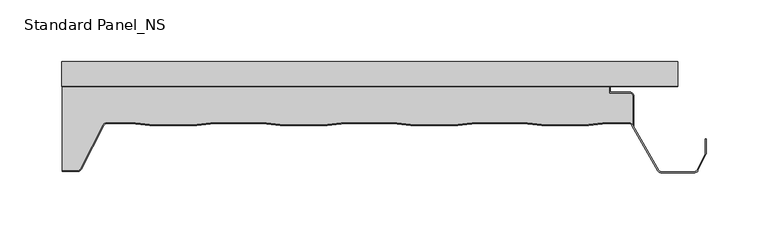
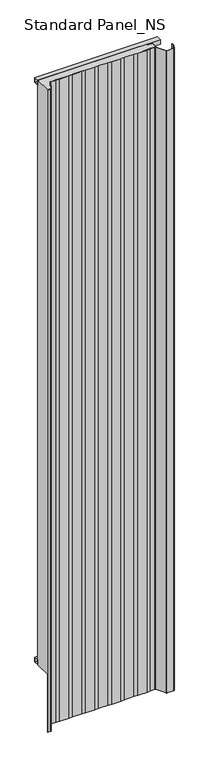
"""IFC4 building model written with IfcOpenShell, lengths in millimetres: proxy geometry, Standard Panel_NS."""

import ifcopenshell
import ifcopenshell.guid

model = None  # the IFC model being written
_history = None  # IfcOwnerHistory: only IFC2X3 demands one
_inside = {}  # id of a spatial element -> (the spatial element, [elements in it])
_under = {}  # id of a project, library or spatial element -> (it, [spatial elements below it])
_declared = {}  # id of a project -> (the project, [libraries it declares])
_typed = {}  # id of a type object -> (the type object, [elements of that type])
_made_of = {}  # id of a material, layer set ... -> (it, [elements and type objects made of it])


def new_model(schema):
    """Start an empty IFC model of exactly this schema.

    Asked for "IFC4X3", IfcOpenShell would pick the latest addendum, in which some entities
    have other attributes; the version numbers below select the first issue.
    IFC2X3 requires an IfcOwnerHistory on every rooted entity: one is made here for all.
    """
    global model, _history
    if schema == "IFC4X3":
        model = ifcopenshell.file(schema_version=(4, 3, 0, 0))
    else:
        model = ifcopenshell.file(schema=schema)
    _inside.clear()
    _under.clear()
    _declared.clear()
    _typed.clear()
    _made_of.clear()
    _history = None
    if model.schema == "IFC2X3":
        org = make("IfcOrganization", Name="unknown")
        user = make(
            "IfcPersonAndOrganization",
            ThePerson=make("IfcPerson", FamilyName="unknown"),
            TheOrganization=org,
        )
        app = make(
            "IfcApplication",
            ApplicationDeveloper=org,
            Version="unknown",
            ApplicationFullName="unknown",
            ApplicationIdentifier="unknown",
        )
        _history = make(
            "IfcOwnerHistory",
            OwningUser=user,
            OwningApplication=app,
            ChangeAction="ADDED",
            CreationDate=0,
        )
    return model


def make(cls, **values):
    """One entity of the class cls with the attributes given. An attribute that is None is left unset."""
    return model.create_entity(
        cls, **{name: value for name, value in values.items() if value is not None}
    )


def rooted(cls, **values):
    """An entity with a GlobalId (a new one), such as an element, a storey or a relation."""
    return make(cls, GlobalId=ifcopenshell.guid.new(), OwnerHistory=_history, **values)


def si_unit(unit_type, name, prefix=None):
    """IfcSIUnit, for example si_unit("LENGTHUNIT", "METRE", prefix="MILLI")."""
    return make("IfcSIUnit", UnitType=unit_type, Prefix=prefix, Name=name)


def assignment(units):
    """IfcUnitAssignment: the units of a project."""
    return None if units is None else make("IfcUnitAssignment", Units=units)


def point(xyz):
    """IfcCartesianPoint."""
    return None if xyz is None else make("IfcCartesianPoint", Coordinates=xyz)


def direction(xyz):
    """IfcDirection."""
    return None if xyz is None else make("IfcDirection", DirectionRatios=xyz)


def frame(location, z_axis=None, x_axis=None):
    """IfcAxis2Placement3D, a coordinate frame: its origin and axes. An axis left out is left unset."""
    return make(
        "IfcAxis2Placement3D",
        Location=point(location),
        Axis=direction(z_axis),
        RefDirection=direction(x_axis),
    )


def frame_2d(location, x_axis=None):
    """IfcAxis2Placement2D, a coordinate frame in the plane: its origin and x axis."""
    return make(
        "IfcAxis2Placement2D", Location=point(location), RefDirection=direction(x_axis)
    )


def origin():
    """The frame at (0, 0, 0) with its axes left unset."""
    return frame((0.0, 0.0, 0.0))


def origin_with_axes():
    """The frame at (0, 0, 0) with the z axis (0, 0, 1) and the x axis (1, 0, 0) written out."""
    return frame((0.0, 0.0, 0.0), z_axis=(0.0, 0.0, 1.0), x_axis=(1.0, 0.0, 0.0))


def place(relative_to, where):
    """IfcLocalPlacement: puts the frame where relative to a parent placement (None: the world)."""
    return make(
        "IfcLocalPlacement", PlacementRelTo=relative_to, RelativePlacement=where
    )


def context(
    kind, dimensions, precision=None, world=None, true_north=None, identifier=None
):
    """IfcGeometricRepresentationContext, for example the 3D "Model" context."""
    return make(
        "IfcGeometricRepresentationContext",
        ContextIdentifier=identifier,
        ContextType=kind,
        CoordinateSpaceDimension=dimensions,
        Precision=precision,
        WorldCoordinateSystem=world,
        TrueNorth=true_north,
    )


def project(units=None, contexts=None):
    """IfcProject with its units and contexts."""
    return rooted(
        "IfcProject",
        Name="project",
        RepresentationContexts=contexts,
        UnitsInContext=assignment(units),
    )


def spatial(cls, under=None, at=None, **own):
    """A site, building, storey or space (cls), placed at a placement, below another one or the project."""
    s = rooted(cls, ObjectPlacement=at, **own)
    if under is not None:
        _under.setdefault(under.id(), (under, []))[1].append(s)
    return s


def polyline(points):
    """IfcPolyline through the points."""
    return make("IfcPolyline", Points=[point(p) for p in points])


def circle_curve(where, radius):
    """IfcCircle in the frame where."""
    return make("IfcCircle", Position=where, Radius=radius)


def trimmed(basis, trim1, trim2, sense, master):
    """IfcTrimmedCurve: the piece of a basis curve between two trims."""
    return make(
        "IfcTrimmedCurve",
        BasisCurve=basis,
        Trim1=trim1,
        Trim2=trim2,
        SenseAgreement=sense,
        MasterRepresentation=master,
    )


def segment(curve, same_sense, transition):
    """IfcCompositeCurveSegment."""
    return make(
        "IfcCompositeCurveSegment",
        Transition=transition,
        SameSense=same_sense,
        ParentCurve=curve,
    )


def composite_curve(segments, self_intersect=None):
    """IfcCompositeCurve: segments joined end to end."""
    return make("IfcCompositeCurve", Segments=segments, SelfIntersect=self_intersect)


def outline(outer, holes=None, kind="AREA"):
    """IfcArbitraryClosedProfileDef: a profile drawn as a closed curve; with holes, ...WithVoids."""
    if holes is None:
        return make("IfcArbitraryClosedProfileDef", ProfileType=kind, OuterCurve=outer)
    return make(
        "IfcArbitraryProfileDefWithVoids",
        ProfileType=kind,
        OuterCurve=outer,
        InnerCurves=holes,
    )


def extrude(swept, where, along, depth):
    """IfcExtrudedAreaSolid: the profile swept, set in the frame where, extruded along a direction by depth."""
    return make(
        "IfcExtrudedAreaSolid",
        SweptArea=swept,
        Position=where,
        ExtrudedDirection=direction(along),
        Depth=depth,
    )


def shape(context_of_items, identifier, shape_type, items):
    """IfcShapeRepresentation: the items that make up one representation, for example the "Body"."""
    return make(
        "IfcShapeRepresentation",
        ContextOfItems=context_of_items,
        RepresentationIdentifier=identifier,
        RepresentationType=shape_type,
        Items=items,
    )


def source(mapping_origin, context_of_items, identifier, shape_type, items):
    """IfcRepresentationMap: a shape defined once, which mapped items show again and again."""
    return make(
        "IfcRepresentationMap",
        MappingOrigin=mapping_origin,
        MappedRepresentation=shape(context_of_items, identifier, shape_type, items),
    )


def transform(
    local_origin,
    x_axis=None,
    y_axis=None,
    z_axis=None,
    scale=None,
    scale2=None,
    scale3=None,
    uniform=True,
):
    """IfcCartesianTransformationOperator3D, or its non-uniform kind. x_axis, y_axis, z_axis: its Axis1, 2, 3."""
    if uniform:
        return make(
            "IfcCartesianTransformationOperator3D",
            Axis1=direction(x_axis),
            Axis2=direction(y_axis),
            LocalOrigin=point(local_origin),
            Scale=scale,
            Axis3=direction(z_axis),
        )
    return make(
        "IfcCartesianTransformationOperator3DnonUniform",
        Axis1=direction(x_axis),
        Axis2=direction(y_axis),
        LocalOrigin=point(local_origin),
        Scale=scale,
        Axis3=direction(z_axis),
        Scale2=scale2,
        Scale3=scale3,
    )


def mapped(mapping_source, mapping_target):
    """IfcMappedItem: shows the shape of a source again, moved by a transform."""
    return make(
        "IfcMappedItem", MappingSource=mapping_source, MappingTarget=mapping_target
    )


def made_of(thing, what):
    """Note that an element or type object is made of a material, layer set ...; save() writes the relation."""
    if what is not None:
        _made_of.setdefault(what.id(), (what, []))[1].append(thing)
    return thing


def element(
    cls,
    number,
    at=None,
    inside=None,
    cuts=None,
    type_object=None,
    material=None,
    context=None,
    identifier="Body",
    shape_type=None,
    held_by="IfcProductDefinitionShape",
    body=None,
    shapes=None,
    **own,
):
    """One element of the class cls, such as IfcWall. Its Tag is "e" and its number.

    at: its placement. inside: the storey or other place that contains it. cuts: it is an
    opening in that element (IfcRelVoidsElement). A single representation is given by context,
    identifier, shape_type and body (its items); several are given by shapes. held_by: the class
    of the entity that holds the representations. save() writes the other relations.
    """
    e = rooted(cls, Tag="e%d" % number, ObjectPlacement=at, **own)
    if body is not None:
        shapes = [shape(context, identifier, shape_type, body)]
    if shapes is not None:
        e.Representation = make(held_by, Representations=shapes)
    if inside is not None:
        _inside.setdefault(inside.id(), (inside, []))[1].append(e)
    if cuts is not None:
        rooted(
            "IfcRelVoidsElement", RelatingBuildingElement=cuts, RelatedOpeningElement=e
        )
    if type_object is not None:
        _typed.setdefault(type_object.id(), (type_object, []))[1].append(e)
    return made_of(e, material)


def aggregate(whole, parts):
    """IfcRelAggregates: a whole, such as a stair, and the parts it consists of."""
    return rooted("IfcRelAggregates", RelatingObject=whole, RelatedObjects=parts)


def save(model, path):
    """Write the relations noted so far, then the file.

    IfcRelAggregates (storeys below a building ...), IfcRelContainedInSpatialStructure (elements
    in a storey), IfcRelDefinesByType, IfcRelAssociatesMaterial and IfcRelDeclares: one each for
    every whole, place, type object, material and project.
    """
    for whole, parts in _under.values():
        aggregate(whole, parts)
    for where, things in _inside.values():
        rooted(
            "IfcRelContainedInSpatialStructure",
            RelatedElements=things,
            RelatingStructure=where,
        )
    for kind, things in _typed.values():
        rooted("IfcRelDefinesByType", RelatedObjects=things, RelatingType=kind)
    for what, things in _made_of.values():
        rooted("IfcRelAssociatesMaterial", RelatedObjects=things, RelatingMaterial=what)
    for by, libraries in _declared.values():
        rooted("IfcRelDeclares", RelatingContext=by, RelatedDefinitions=libraries)
    model.write(path)


def standard_panel_ns_7faeae99(model_context):
    return source(origin(), model_context, "Body", "SweptSolid", [
        extrude(outline(polyline([(-20.0, 0.0), (-20.0, 20.0), (0.0, 20.0), (0.0, 0.0), (-20.0, 0.0)]), holes=[polyline([(-0.9, 19.1), (-19.1, 19.1), (-19.1, 0.9), (-0.9, 0.9), (-0.9, 19.1)])]), frame((-249.9999998, 0.0, 0.0), z_axis=(1.0, 0.0, 0.0), x_axis=(0.0, 1.0, 0.0)), (0.0, 0.0, 1.0), 499.9999997),
        extrude(outline(polyline([(-20.0, 2512.4689053), (0.0, 2512.4689053), (0.0, 2492.4689053), (-20.0, 2492.4689053), (-20.0, 2512.4689053)]), holes=[polyline([(-0.9, 2511.5689053), (-19.1, 2511.5689053), (-19.1, 2493.3689053), (-0.9, 2493.3689053), (-0.9, 2511.5689053)])]), frame((-249.9999998, 0.0, 0.0), z_axis=(1.0, 0.0, 0.0), x_axis=(0.0, 1.0, 0.0)), (0.0, 0.0, 1.0), 499.9999997),
        extrude(outline(composite_curve([segment(polyline([(213.3333676, -27.9776976), (213.3333676, -51.2827781)]), True, "CONTINUOUS"), segment(trimmed(circle_curve(frame_2d((210.179188, -53.4020117)), 3.8), [point((213.3333676, -51.2827781))], [point((210.2255766, -49.6022949))], True, "CARTESIAN"), True, "CONTINUOUS"), segment(polyline([(210.2255766, -49.6022949), (192.3850005, -49.6022949), (177.5232715, -51.4), (139.5003904, -51.4), (124.6528382, -49.6040097), (86.3708237, -49.6040097), (71.5232715, -51.4), (33.5003904, -51.4), (18.667015, -49.6057246), (-19.6433531, -49.6057246), (-34.4767285, -51.4), (-72.4996096, -51.4), (-87.3188082, -49.6074394), (-125.6575299, -49.6074394), (-140.4767285, -51.4), (-178.4996096, -51.4), (-193.3070694, -49.6088594), (-213.150958, -49.6088594)]), True, "CONTINUOUS"), segment(trimmed(circle_curve(frame_2d((-213.150958, -53.4088594)), 3.8), [point((-213.150958, -49.6088594))], [point((-216.5484349, -51.7067576))], True, "CARTESIAN"), True, "CONTINUOUS"), segment(polyline([(-216.5484349, -51.7067576), (-234.886672, -87.389061)]), True, "CONTINUOUS"), segment(trimmed(circle_curve(frame_2d((-236.856809, -86.41)), 2.2), [point((-234.886672, -87.389061))], [point((-236.856809, -88.61))], False, "CARTESIAN"), True, "CONTINUOUS"), segment(polyline([(-236.856809, -88.61), (-249.4999998, -88.61), (-249.4999998, -20.8776976), (194.4044995, -20.8776976), (194.4044995, -25.8776976), (211.2333676, -25.8776976)]), True, "CONTINUOUS"), segment(trimmed(circle_curve(frame_2d((211.2333676, -27.9776976)), 2.1), [point((211.2333676, -25.8776976))], [point((213.3333676, -27.9776976))], False, "CARTESIAN"), True, "CONTINUOUS")], self_intersect=False)), origin_with_axes(), (0.0, 0.0, 1.0), 2512.4689053),
        extrude(outline(composite_curve([segment(polyline([(-236.856809, -89.41), (-249.4999998, -89.41), (-249.4999998, -88.61), (-236.856809, -88.61)]), True, "CONTINUOUS"), segment(trimmed(circle_curve(frame_2d((-236.856809, -86.41)), 2.2), [point((-236.856809, -88.61))], [point((-234.886672, -87.389061))], True, "CARTESIAN"), True, "CONTINUOUS"), segment(polyline([(-234.886672, -87.389061), (-216.5484349, -51.7067576)]), True, "CONTINUOUS"), segment(trimmed(circle_curve(frame_2d((-213.150958, -53.4088594)), 3.8), [point((-216.5484349, -51.7067576))], [point((-213.150958, -49.6088594))], False, "CARTESIAN"), True, "CONTINUOUS"), segment(polyline([(-213.150958, -49.6088594), (-193.3070694, -49.6088594), (-178.4996096, -51.4), (-140.4767285, -51.4), (-125.6575299, -49.6074394), (-87.3188082, -49.6074394), (-72.4996096, -51.4), (-34.4767285, -51.4), (-19.6433531, -49.6057246), (18.667015, -49.6057246), (33.5003904, -51.4), (71.5232715, -51.4), (86.3708237, -49.6040097), (124.6528382, -49.6040097), (139.5003904, -51.4), (177.5232715, -51.4), (192.3850005, -49.6022949), (210.1327994, -49.6022949)]), True, "CONTINUOUS"), segment(trimmed(circle_curve(frame_2d((210.179188, -53.4020117)), 3.8), [point((210.1327994, -49.6022949))], [point((213.5049667, -51.5637527))], False, "CARTESIAN"), True, "CONTINUOUS"), segment(polyline([(213.5049667, -51.5637527), (234.4077106, -88.4591287)]), True, "CONTINUOUS"), segment(trimmed(circle_curve(frame_2d((236.3366683, -87.401243)), 2.2), [point((234.4077106, -88.4591287))], [point((236.3366683, -89.601243))], True, "CARTESIAN"), True, "CONTINUOUS"), segment(polyline([(236.3366683, -89.601243), (263.6856737, -89.601243)]), True, "CONTINUOUS"), segment(trimmed(circle_curve(frame_2d((263.6856737, -87.401243)), 2.2), [point((263.6856737, -89.601243))], [point((265.6539047, -88.3841299))], True, "CARTESIAN"), True, "CONTINUOUS"), segment(polyline([(265.6539047, -88.3841299), (272.1830896, -75.3094373)]), True, "CONTINUOUS"), segment(trimmed(circle_curve(frame_2d((270.2148586, -74.3265504)), 2.2), [point((272.1830896, -75.3094373))], [point((272.4148586, -74.3265504))], True, "CARTESIAN"), True, "CONTINUOUS"), segment(polyline([(272.4148586, -74.3265504), (272.4148586, -62.8571101), (273.2148586, -62.8571101), (273.2148586, -74.3265504)]), True, "CONTINUOUS"), segment(trimmed(circle_curve(frame_2d((270.2148586, -74.3265504)), 3.0), [point((273.2148586, -74.3265504))], [point((272.89881, -75.6668507))], False, "CARTESIAN"), True, "CONTINUOUS"), segment(polyline([(272.89881, -75.6668507), (266.3696251, -88.7415434)]), True, "CONTINUOUS"), segment(trimmed(circle_curve(frame_2d((263.6856737, -87.401243)), 3.0), [point((266.3696251, -88.7415434))], [point((263.6856737, -90.401243))], False, "CARTESIAN"), True, "CONTINUOUS"), segment(polyline([(263.6856737, -90.401243), (236.3366683, -90.401243)]), True, "CONTINUOUS"), segment(trimmed(circle_curve(frame_2d((236.3366683, -87.401243)), 3.0), [point((236.3366683, -90.401243))], [point((233.7091409, -88.8490344))], False, "CARTESIAN"), True, "CONTINUOUS"), segment(polyline([(233.7091409, -88.8490344), (212.8067154, -51.9542204)]), True, "CONTINUOUS"), segment(trimmed(circle_curve(frame_2d((210.179188, -53.4020117)), 3.0), [point((212.8067154, -51.9542204))], [point((210.1379709, -50.4022949))], True, "CARTESIAN"), True, "CONTINUOUS"), segment(polyline([(210.1379709, -50.4022949), (192.4332096, -50.4022949), (177.5714806, -52.2), (139.4521813, -52.2), (124.6046291, -50.4040097), (86.4190328, -50.4040097), (71.5714806, -52.2), (33.4521813, -52.2), (18.6188059, -50.4057246), (-19.595144, -50.4057246), (-34.4285194, -52.2), (-72.5478187, -52.2), (-87.3670173, -50.4074394), (-125.6093208, -50.4074394), (-140.4285194, -52.2), (-178.5478187, -52.2), (-193.3552785, -50.4088594), (-213.150958, -50.4088594)]), True, "CONTINUOUS"), segment(trimmed(circle_curve(frame_2d((-213.150958, -53.4088594)), 3.0), [point((-213.150958, -50.4088594))], [point((-215.8349094, -52.0685591))], True, "CARTESIAN"), True, "CONTINUOUS"), segment(polyline([(-215.8349094, -52.0685591), (-234.1728576, -87.7503003)]), True, "CONTINUOUS"), segment(trimmed(circle_curve(frame_2d((-236.856809, -86.41)), 3.0), [point((-234.1728576, -87.7503003))], [point((-236.856809, -89.41))], False, "CARTESIAN"), True, "CONTINUOUS")], self_intersect=False)), frame((0.0, 0.0, -250.0), z_axis=(0.0, 0.0, 1.0), x_axis=(1.0, 0.0, 0.0)), (0.0, 0.0, 1.0), 2762.4689053),
        extrude(outline(composite_curve([segment(polyline([(194.4044995, -20.9), (-249.4999998, -20.9), (-249.4999998, -20.0), (195.3044995, -20.0), (195.3044995, -25.0), (211.2333676, -25.0)]), True, "CONTINUOUS"), segment(trimmed(circle_curve(frame_2d((211.2333676, -28.0)), 3.0), [point((211.2333676, -25.0))], [point((214.2333676, -28.0))], False, "CARTESIAN"), True, "CONTINUOUS"), segment(polyline([(214.2333676, -28.0), (214.2333676, -52.8494512), (213.3333676, -51.2827781), (213.3333676, -28.0)]), True, "CONTINUOUS"), segment(trimmed(circle_curve(frame_2d((211.2333676, -28.0)), 2.1), [point((213.3333676, -28.0))], [point((211.2333676, -25.9))], True, "CARTESIAN"), True, "CONTINUOUS"), segment(polyline([(211.2333676, -25.9), (194.4044995, -25.9), (194.4044995, -20.9)]), True, "CONTINUOUS")], self_intersect=False)), origin_with_axes(), (0.0, 0.0, 1.0), 2512.4689053),
    ])


if __name__ == "__main__":
    model = new_model("IFC4")
    model_context = context("Model", 3, world=origin())
    ifc_project = project(units=[si_unit("LENGTHUNIT", "METRE", prefix="MILLI")], contexts=[model_context])
    site = spatial("IfcSite", under=ifc_project)
    building = spatial("IfcBuilding", under=site)
    placement = place(None, origin())
    standard_panel_ns_shape = standard_panel_ns_7faeae99(model_context)
    element("IfcBuildingElementProxy", 1, Name="Standard Panel_NS", ObjectType="Standard Panel_NS", at=placement, inside=building, context=model_context, shape_type="MappedRepresentation", body=[
        mapped(standard_panel_ns_shape, transform((0.0, 0.0, 0.0), x_axis=(1.0, 0.0, 0.0), y_axis=(0.0, 1.0, 0.0), z_axis=(0.0, 0.0, 1.0))),
    ])
    save(model, "model.ifc")
